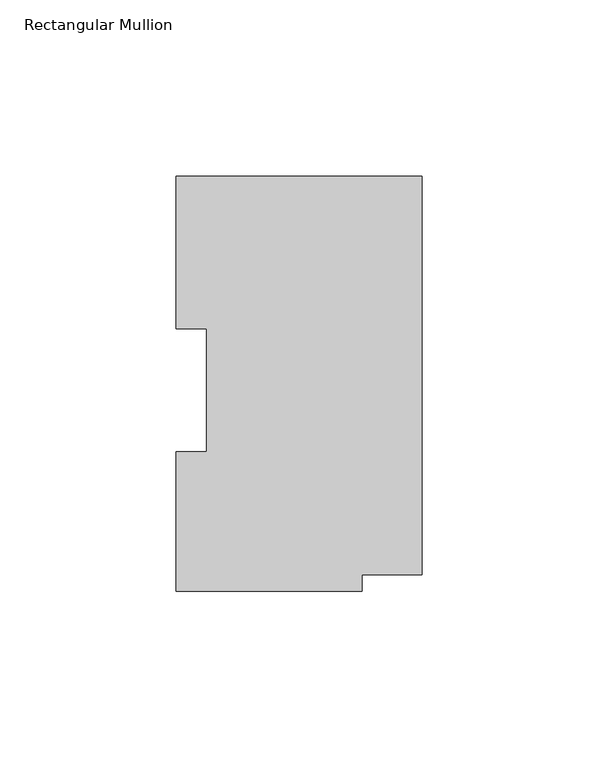
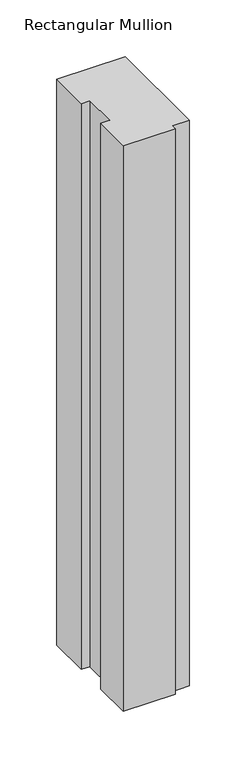
"""IFC4 building model written with IfcOpenShell, lengths in millimetres: member geometry, Rectangular Mullion."""

from ifc_helpers import new_model, si_unit, frame, origin, place, context, project, spatial, polyline, outline, extrude, source, transform, mapped, element, save


def rectangular_mullion_a1d3737d(model_context):
    return source(origin(), model_context, "Body", "SweptSolid", [
        extrude(outline(polyline([(-9.2e-06, 117.8274362), (0.0, 4.7466362), (-17.0688, 4.7466348), (-17.0687996, -0.0285656), (-69.8500206, -0.0285699), (-69.8500238, 39.6462388), (-61.1124126, 39.6462396), (-61.1124155, 74.5966398), (-69.8500057, 74.5966391), (-69.8500092, 117.8274305), (-9.2e-06, 117.8274362)])), frame((0.0, 0.0, -609.5865062), z_axis=(0.0, 0.0, 1.0), x_axis=(1.0, 0.0, 0.0)), (0.0, 0.0, 1.0), 609.5865062),
    ])


if __name__ == "__main__":
    model = new_model("IFC4")
    model_context = context("Model", 3, world=origin())
    ifc_project = project(units=[si_unit("LENGTHUNIT", "METRE", prefix="MILLI")], contexts=[model_context])
    site = spatial("IfcSite", under=ifc_project)
    building = spatial("IfcBuilding", under=site)
    placement = place(None, origin())
    rectangular_mullion_shape = rectangular_mullion_a1d3737d(model_context)
    element("IfcMember", 1, ObjectType="Rectangular Mullion", at=placement, inside=building, context=model_context, shape_type="MappedRepresentation", body=[
        mapped(rectangular_mullion_shape, transform((0.0, 0.0, 0.0), x_axis=(1.0, 0.0, 0.0), y_axis=(0.0, 1.0, 0.0), z_axis=(0.0, 0.0, 1.0))),
    ])
    save(model, "model.ifc")
